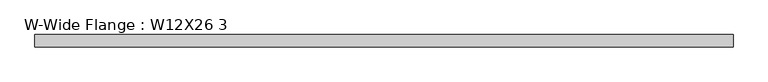
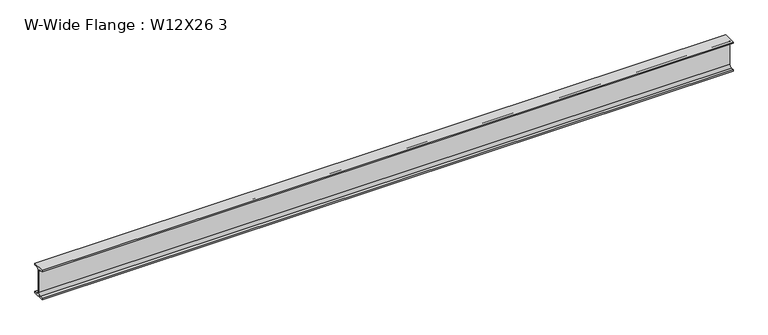
"""IFC4 building model written with IfcOpenShell, lengths in millimetres: beam geometry, W-Wide Flange : W12X26 3."""

from ifc_helpers import new_model, si_unit, point, frame, frame_2d, origin, place, context, project, spatial, polyline, circle_curve, trimmed, segment, composite_curve, outline, extrude, source, transform, mapped, element, save


def w_wide_flange_w12x26_3_ac699ae3(model_context):
    return source(origin(), model_context, "Body", "SweptSolid", [
        extrude(outline(composite_curve([segment(polyline([(40.0, -90.3757813), (40.0, -100.0), (-40.0, -100.0), (-40.0, -90.3757813), (-20.2902344, -90.3757813)]), True, "CONTINUOUS"), segment(trimmed(circle_curve(frame_2d((-20.2902344, -73.0125)), 17.3632813), [point((-20.2902344, -90.3757813))], [point((-2.9269531, -73.0125))], True, "CARTESIAN"), True, "CONTINUOUS"), segment(polyline([(-2.9269531, -73.0125), (-2.9269531, 73.0125)]), True, "CONTINUOUS"), segment(trimmed(circle_curve(frame_2d((-20.2902344, 73.0125)), 17.3632812), [point((-2.9269531, 73.0125))], [point((-20.2902344, 90.3757812))], True, "CARTESIAN"), True, "CONTINUOUS"), segment(polyline([(-20.2902344, 90.3757812), (-40.0, 90.3757812), (-40.0, 100.0), (40.0, 100.0), (40.0, 90.3757812), (20.2902344, 90.3757812)]), True, "CONTINUOUS"), segment(trimmed(circle_curve(frame_2d((20.2902344, 73.0125)), 17.3632812), [point((20.2902344, 90.3757812))], [point((2.9269531, 73.0125))], True, "CARTESIAN"), True, "CONTINUOUS"), segment(polyline([(2.9269531, 73.0125), (2.9269531, -73.0125)]), True, "CONTINUOUS"), segment(trimmed(circle_curve(frame_2d((20.2902344, -73.0125)), 17.3632812), [point((2.9269531, -73.0125))], [point((20.2902344, -90.3757813))], True, "CARTESIAN"), True, "CONTINUOUS"), segment(polyline([(20.2902344, -90.3757813), (40.0, -90.3757813)]), True, "CONTINUOUS")], self_intersect=False)), frame((-2262.7, 0.0, 0.0), z_axis=(1.0, 0.0, 0.0), x_axis=(0.0, 1.0, 0.0)), (0.0, 0.0, 1.0), 4462.413108),
    ])


if __name__ == "__main__":
    model = new_model("IFC4")
    model_context = context("Model", 3, world=origin())
    ifc_project = project(units=[si_unit("LENGTHUNIT", "METRE", prefix="MILLI")], contexts=[model_context])
    site = spatial("IfcSite", under=ifc_project)
    building = spatial("IfcBuilding", under=site)
    placement = place(None, origin())
    w_wide_flange_w12x26_3_shape = w_wide_flange_w12x26_3_ac699ae3(model_context)
    element("IfcBeam", 1, ObjectType="W-Wide Flange : W12X26 3", at=placement, inside=building, context=model_context, shape_type="MappedRepresentation", body=[
        mapped(w_wide_flange_w12x26_3_shape, transform((0.0, 0.0, 0.0), x_axis=(1.0, 0.0, 0.0), y_axis=(0.0, 1.0, 0.0), z_axis=(0.0, 0.0, 1.0))),
    ])
    save(model, "model.ifc")
